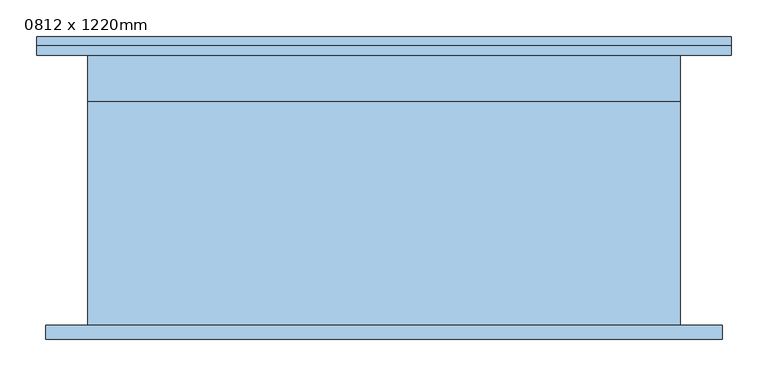
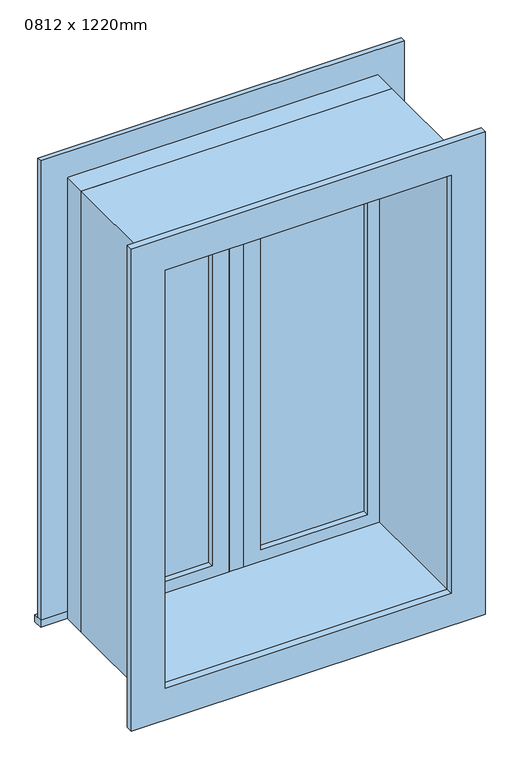
"""IFC4 building model written with IfcOpenShell, lengths in millimetres: window geometry, 0812 x 1220mm."""

from ifc_helpers import new_model, si_unit, frame, origin, place, context, project, spatial, polyline, outline, extrude, source, transform, mapped, element, save


def window_0812_x_1220mm_2507dac1(model_context):
    return source(origin(), model_context, "Body", "SweptSolid", [
        extrude(outline(polyline([(63.5, 169.175), (342.5, 169.175), (342.5, 156.475), (63.5, 156.475), (63.5, 169.175)])), frame((0.0, 0.0, 978.5), z_axis=(0.0, 0.0, 1.0), x_axis=(1.0, 0.0, 0.0)), (0.0, 0.0, 1.0), 1093.0),
        extrude(outline(polyline([(2115.95, 19.05), (934.05, 19.05), (934.05, 386.95), (2115.95, 386.95), (2115.95, 19.05)]), holes=[polyline([(2071.5, 63.5), (2071.5, 342.5), (978.5, 342.5), (978.5, 63.5), (2071.5, 63.5)])]), frame((0.0, 140.6, 0.0), z_axis=(0.0, 1.0, 0.0), x_axis=(0.0, 0.0, 1.0)), (0.0, 0.0, 1.0), 44.45),
        extrude(outline(polyline([(-475.95, 229.75), (475.95, 229.75), (475.95, 204.05), (-475.95, 204.05), (-475.95, 229.75)])), frame((0.0, 0.0, 915.0), z_axis=(0.0, 0.0, 1.0), x_axis=(1.0, 0.0, 0.0)), (0.0, 0.0, 1.0), 19.05),
        extrude(outline(polyline([(2115.95, -386.95), (2115.95, 386.95), (934.05, 386.95), (934.05, 475.95), (2204.95, 475.95), (2204.95, -475.95), (934.05, -475.95), (934.05, -386.95), (2115.95, -386.95)])), frame((0.0, 204.05, 0.0), z_axis=(0.0, 1.0, 0.0), x_axis=(0.0, 0.0, 1.0)), (0.0, 0.0, 1.0), 13.0),
        extrude(outline(polyline([(2192.25, 463.25), (2192.25, -463.25), (857.75, -463.25), (857.75, 463.25), (2192.25, 463.25)]), holes=[polyline([(2103.25, 374.25), (946.75, 374.25), (946.75, -374.25), (2103.25, -374.25), (2103.25, 374.25)])]), frame((0.0, -184.95, 0.0), z_axis=(0.0, 1.0, 0.0), x_axis=(0.0, 0.0, 1.0)), (0.0, 0.0, 1.0), 19.0),
        extrude(outline(polyline([(-63.5, 156.475), (-342.5, 156.475), (-342.5, 169.175), (-63.5, 169.175), (-63.5, 156.475)])), frame((0.0, 0.0, 978.5), z_axis=(0.0, 0.0, 1.0), x_axis=(1.0, 0.0, 0.0)), (0.0, 0.0, 1.0), 1093.0),
        extrude(outline(polyline([(2115.95, -386.95), (934.05, -386.95), (934.05, -19.05), (2115.95, -19.05), (2115.95, -386.95)]), holes=[polyline([(2071.5, -342.5), (2071.5, -63.5), (978.5, -63.5), (978.5, -342.5), (2071.5, -342.5)])]), frame((0.0, 140.6, 0.0), z_axis=(0.0, 1.0, 0.0), x_axis=(0.0, 0.0, 1.0)), (0.0, 0.0, 1.0), 44.45),
        extrude(outline(polyline([(2135.0, -406.0), (915.0, -406.0), (915.0, 406.0), (2135.0, 406.0), (2135.0, -406.0)]), holes=[polyline([(2103.25, -374.25), (2103.25, 374.25), (946.75, 374.25), (946.75, -374.25), (2103.25, -374.25)])]), frame((0.0, -165.95, 0.0), z_axis=(0.0, 1.0, 0.0), x_axis=(0.0, 0.0, 1.0)), (0.0, 0.0, 1.0), 306.55),
        extrude(outline(polyline([(2135.0, 406.0), (2135.0, -406.0), (915.0, -406.0), (915.0, 406.0), (2135.0, 406.0)]), holes=[polyline([(2115.95, 386.95), (934.05, 386.95), (934.05, -386.95), (2115.95, -386.95), (2115.95, 386.95)])]), frame((0.0, 140.6, 0.0), z_axis=(0.0, 1.0, 0.0), x_axis=(0.0, 0.0, 1.0)), (0.0, 0.0, 1.0), 63.45),
        extrude(outline(polyline([(19.05, 140.6), (-19.05, 140.6), (-19.05, 204.1), (19.05, 204.1), (19.05, 140.6)])), frame((0.0, 0.0, 934.05), z_axis=(0.0, 0.0, 1.0), x_axis=(1.0, 0.0, 0.0)), (0.0, 0.0, 1.0), 1181.9),
    ])


if __name__ == "__main__":
    model = new_model("IFC4")
    model_context = context("Model", 3, world=origin())
    ifc_project = project(units=[si_unit("LENGTHUNIT", "METRE", prefix="MILLI")], contexts=[model_context])
    site = spatial("IfcSite", under=ifc_project)
    building = spatial("IfcBuilding", under=site)
    placement = place(None, origin())
    window_0812_x_1220mm_shape = window_0812_x_1220mm_2507dac1(model_context)
    element("IfcWindow", 1, ObjectType="0812 x 1220mm", at=placement, inside=building, context=model_context, shape_type="MappedRepresentation", body=[
        mapped(window_0812_x_1220mm_shape, transform((0.0, 0.0, 0.0), x_axis=(1.0, 0.0, 0.0), y_axis=(0.0, 1.0, 0.0), z_axis=(0.0, 0.0, 1.0))),
    ])
    save(model, "model.ifc")
